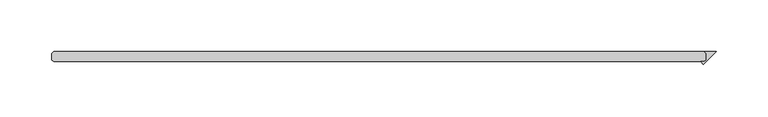
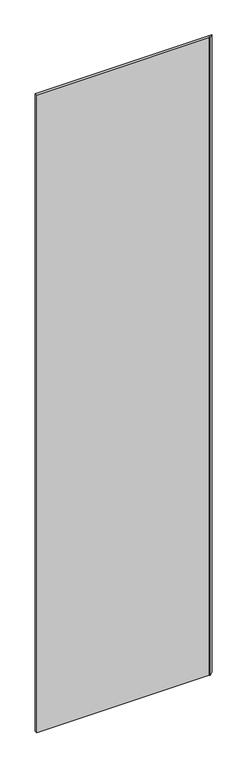
"""IFC4 building model written with IfcOpenShell, lengths in millimetres: plate geometry."""

from ifc_helpers import new_model, si_unit, origin, origin_with_axes, place, context, project, spatial, polyline, outline, extrude, source, transform, mapped, element, save


def plate_17725839(model_context):
    return source(origin(), model_context, "Body", "SweptSolid", [
        extrude(outline(polyline([(312.340625, 3.175), (310.753125, 4.7625), (321.865625, 4.7625), (309.630593, -7.472532), (306.920561, -4.7625), (310.753125, -4.7625), (312.340625, -3.175), (312.340625, 3.175)])), origin_with_axes(), (0.0, 0.0, 1.0), 2427.1914267),
        extrude(outline(polyline([(310.753125, 4.7625), (312.340625, 3.175), (312.340625, -3.175), (310.753125, -4.7625), (-315.515625, -4.7625), (-317.103125, -3.175), (-317.103125, 3.175), (-315.515625, 4.7625), (310.753125, 4.7625)])), origin_with_axes(), (0.0, 0.0, 1.0), 2427.1914267),
    ])


if __name__ == "__main__":
    model = new_model("IFC4")
    model_context = context("Model", 3, world=origin())
    ifc_project = project(units=[si_unit("LENGTHUNIT", "METRE", prefix="MILLI")], contexts=[model_context])
    site = spatial("IfcSite", under=ifc_project)
    building = spatial("IfcBuilding", under=site)
    placement = place(None, origin())
    plate_shape = plate_17725839(model_context)
    element("IfcPlate", 1, at=placement, inside=building, context=model_context, shape_type="MappedRepresentation", body=[
        mapped(plate_shape, transform((0.0, 0.0, 0.0), x_axis=(1.0, 0.0, 0.0), y_axis=(0.0, 1.0, 0.0), z_axis=(0.0, 0.0, 1.0))),
    ])
    save(model, "model.ifc")
